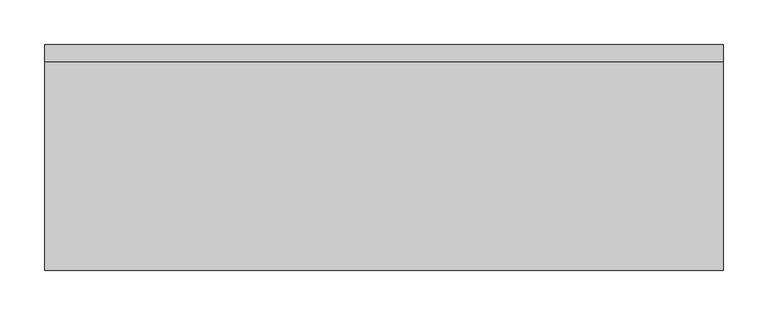
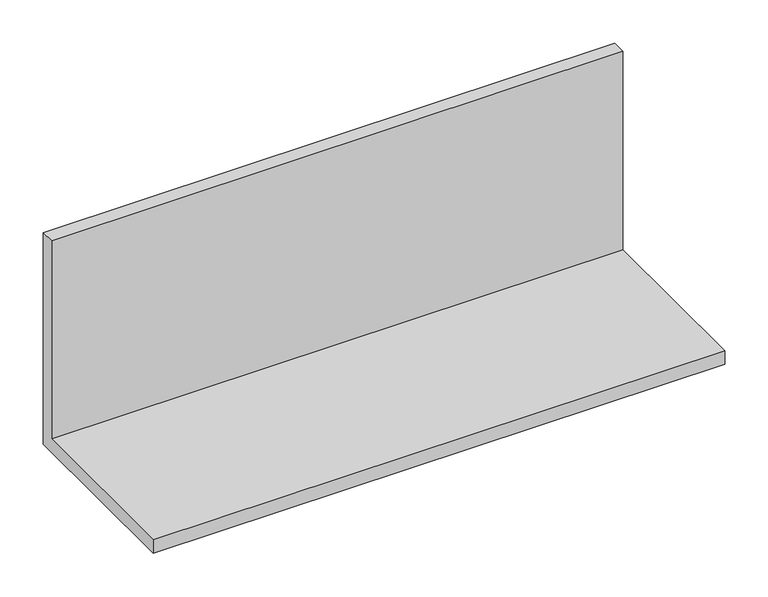
"""IFC4 building model written with IfcOpenShell, lengths in millimetres: furniture geometry."""

from ifc_helpers import new_model, si_unit, frame, origin, place, context, project, spatial, polyline, outline, extrude, source, transform, mapped, element, save


def furniture_605a3eb0(model_context):
    return source(origin(), model_context, "Body", "SweptSolid", [
        extrude(outline(polyline([(57.15, 1311.275), (-196.85, 1311.275), (-196.85, 1330.325), (38.1, 1330.325), (38.1, 1609.725), (57.15, 1609.725), (57.15, 1311.275)])), frame((0.0, 0.0, 0.0), z_axis=(1.0, 0.0, 0.0), x_axis=(0.0, 1.0, 0.0)), (0.0, 0.0, 1.0), 762.0),
    ])


if __name__ == "__main__":
    model = new_model("IFC4")
    model_context = context("Model", 3, world=origin())
    ifc_project = project(units=[si_unit("LENGTHUNIT", "METRE", prefix="MILLI")], contexts=[model_context])
    site = spatial("IfcSite", under=ifc_project)
    building = spatial("IfcBuilding", under=site)
    placement = place(None, origin())
    furniture_shape = furniture_605a3eb0(model_context)
    element("IfcFurniture", 1, at=placement, inside=building, context=model_context, shape_type="MappedRepresentation", body=[
        mapped(furniture_shape, transform((0.0, 0.0, 0.0), x_axis=(1.0, 0.0, 0.0), y_axis=(0.0, 1.0, 0.0), z_axis=(0.0, 0.0, 1.0))),
    ])
    save(model, "model.ifc")
